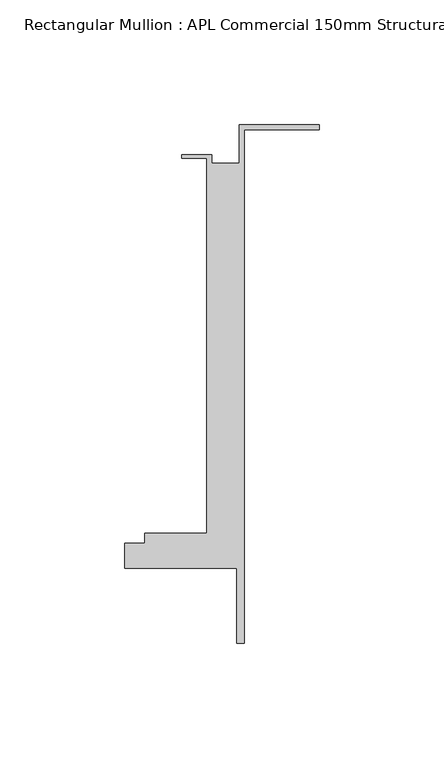
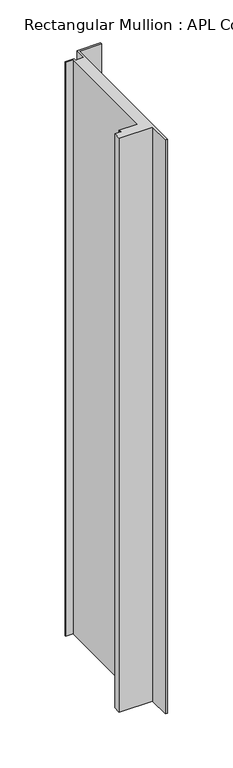
"""IFC4 building model written with IfcOpenShell, lengths in millimetres: member geometry, Rectangular Mullion : APL Commercial 150mm Structural Glaze SubSill."""

from ifc_helpers import new_model, si_unit, frame, origin, place, context, project, spatial, polyline, outline, extrude, source, transform, mapped, element, save


def rectangular_mullion_apl_commercial_150mm_structural_glaze_72218867(model_context):
    return source(origin(), model_context, "Body", "SweptSolid", [
        extrude(outline(polyline([(-32.0, 41.25), (0.0, 41.25), (0.0, 39.25), (-30.0, 39.25), (-30.0, -166.75), (-33.0000284, -166.75), (-33.0000284, -136.75), (-78.0000284, -136.75), (-78.0000284, -126.75), (-70.0000284, -126.75), (-70.0000284, -122.75), (-45.0, -122.75), (-45.0, 27.75), (-55.0, 27.75), (-55.0, 29.25), (-43.0, 29.25), (-43.0, 25.75), (-32.0, 25.75), (-32.0, 41.25)])), frame((0.0, 0.0, -815.9621536), z_axis=(0.0, 0.0, 1.0), x_axis=(1.0, 0.0, 0.0)), (0.0, 0.0, 1.0), 815.9621536),
    ])


if __name__ == "__main__":
    model = new_model("IFC4")
    model_context = context("Model", 3, world=origin())
    ifc_project = project(units=[si_unit("LENGTHUNIT", "METRE", prefix="MILLI")], contexts=[model_context])
    site = spatial("IfcSite", under=ifc_project)
    building = spatial("IfcBuilding", under=site)
    placement = place(None, origin())
    rectangular_mullion_apl_commercial_150mm_structural_glaze_shape = rectangular_mullion_apl_commercial_150mm_structural_glaze_72218867(model_context)
    element("IfcMember", 1, ObjectType="Rectangular Mullion : APL Commercial 150mm Structural Glaze SubSill", at=placement, inside=building, context=model_context, shape_type="MappedRepresentation", body=[
        mapped(rectangular_mullion_apl_commercial_150mm_structural_glaze_shape, transform((0.0, 0.0, 0.0), x_axis=(1.0, 0.0, 0.0), y_axis=(0.0, 1.0, 0.0), z_axis=(0.0, 0.0, 1.0))),
    ])
    save(model, "model.ifc")
